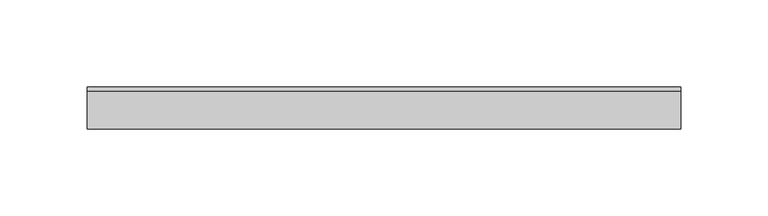
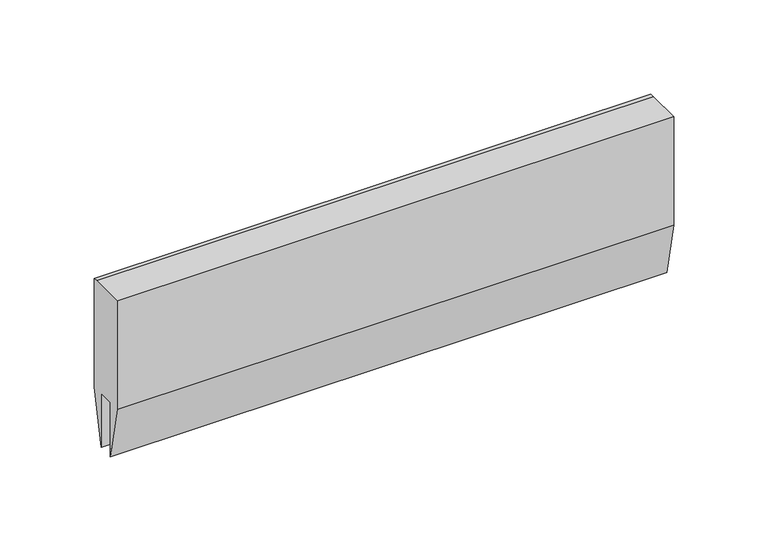
"""IFC4 building model written with IfcOpenShell, lengths in millimetres: proxy geometry."""

from ifc_helpers import new_model, si_unit, frame, origin, place, context, project, spatial, polyline, outline, extrude, source, transform, mapped, element, save


def specialty_equipment_13465761(model_context):
    return source(origin(), model_context, "Body", "SweptSolid", [
        extrude(outline(polyline([(-12.0, 49.0), (9.692747, 49.0), (12.0, 49.0), (12.0, -21.0), (5.0, -56.0), (5.0, -21.0), (-5.0, -21.0), (-5.0, -56.0), (-12.0, -21.0), (-12.0, 49.0)])), frame((-170.1111111, 0.0, 0.0), z_axis=(1.0, 0.0, 0.0), x_axis=(0.0, 1.0, 0.0)), (0.0, 0.0, 1.0), 340.2222222),
    ])


if __name__ == "__main__":
    model = new_model("IFC4")
    model_context = context("Model", 3, world=origin())
    ifc_project = project(units=[si_unit("LENGTHUNIT", "METRE", prefix="MILLI")], contexts=[model_context])
    site = spatial("IfcSite", under=ifc_project)
    building = spatial("IfcBuilding", under=site)
    placement = place(None, origin())
    specialty_equipment_shape = specialty_equipment_13465761(model_context)
    element("IfcBuildingElementProxy", 1, Name="Specialty Equipment", at=placement, inside=building, context=model_context, shape_type="MappedRepresentation", body=[
        mapped(specialty_equipment_shape, transform((0.0, 0.0, 0.0), x_axis=(1.0, 0.0, 0.0), y_axis=(0.0, 1.0, 0.0), z_axis=(0.0, 0.0, 1.0))),
    ])
    save(model, "model.ifc")
